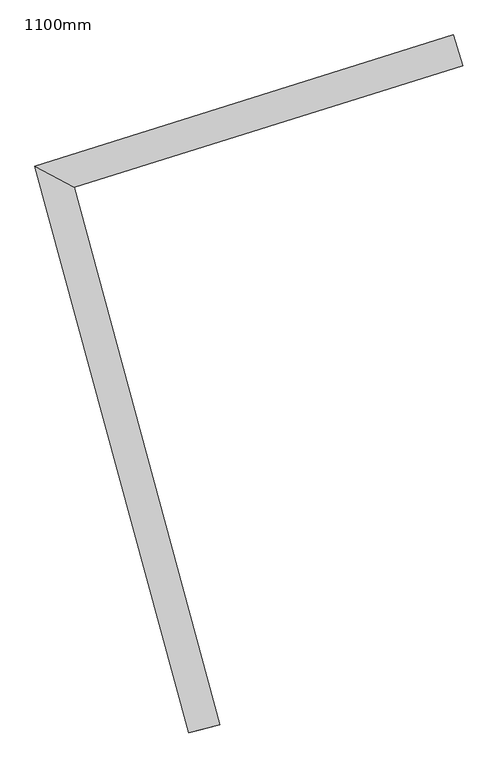
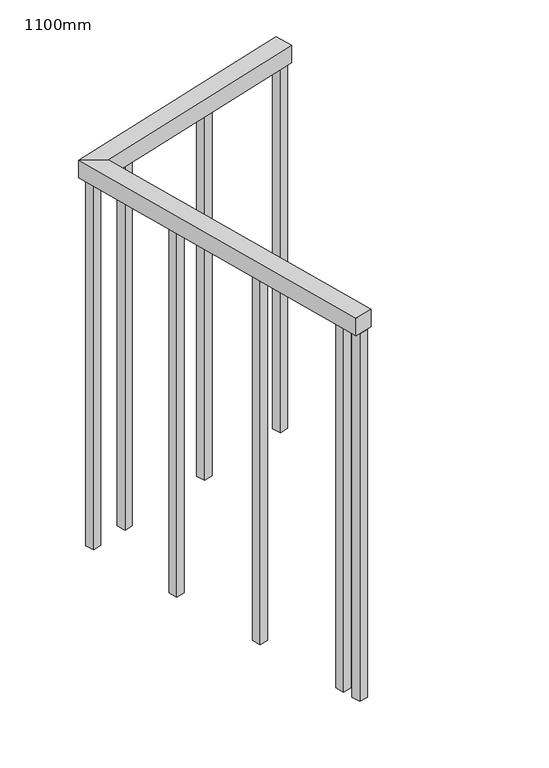
"""IFC4 building model written with IfcOpenShell, lengths in millimetres: railing geometry, 1100mm."""

from ifc_helpers import new_model, si_unit, frame, origin, place, context, project, spatial, polyline, outline, extrude, faceted_brep, source, transform, mapped, element, save


def railing_1100mm_f8fc34ff(model_context):
    return source(origin(), model_context, "Body", "SolidModel", [
        faceted_brep([(61615.2111264, 7667.8765186, 1700.0), (61615.2111264, 7667.8765186, 1650.0), (61600.2492324, 7715.5854458, 1650.0), (61600.2492324, 7715.5854458, 1700.0), (60949.0055392, 7511.3503124, 1700.0), (61009.874015, 7478.0380496, 1700.0), (60949.0055392, 7511.3503124, 1650.0), (61009.874015, 7478.0380496, 1650.0), (61237.1707039, 6641.78859, 1700.0), (61188.9212333, 6628.6741481, 1700.0), (61188.9212333, 6628.6741481, 1650.0), (61237.1707039, 6641.78859, 1650.0)], [[[0, 1, 2, 3]], [[0, 3, 4, 5]], [[3, 2, 6, 4]], [[2, 1, 7, 6]], [[1, 0, 5, 7]], [[8, 9, 10, 11]], [[5, 4, 9, 8]], [[4, 6, 10, 9]], [[6, 7, 11, 10]], [[7, 5, 8, 11]]]),
        extrude(outline(polyline([(61204.6118249, 6713.918894), (61211.1690458, 6689.7941587), (61187.0443105, 6683.2369377), (61180.4870896, 6707.361673), (61204.6118249, 6713.918894)])), frame((0.0, 0.0, 600.0), z_axis=(0.0, 0.0, 1.0), x_axis=(1.0, 0.0, 0.0)), (0.0, 0.0, 1.0), 1050.0),
        extrude(outline(polyline([(61132.4823947, 6979.2909824), (61139.0396156, 6955.1662471), (61114.9148803, 6948.6090261), (61108.3576594, 6972.7337614), (61132.4823947, 6979.2909824)])), frame((0.0, 0.0, 600.0), z_axis=(0.0, 0.0, 1.0), x_axis=(1.0, 0.0, 0.0)), (0.0, 0.0, 1.0), 1050.0),
        extrude(outline(polyline([(61060.3529645, 7244.6630708), (61066.9101854, 7220.5383354), (61042.7854501, 7213.9811145), (61036.2282292, 7238.1058498), (61060.3529645, 7244.6630708)])), frame((0.0, 0.0, 600.0), z_axis=(0.0, 0.0, 1.0), x_axis=(1.0, 0.0, 0.0)), (0.0, 0.0, 1.0), 1050.0),
        extrude(outline(polyline([(61098.5996862, 7518.9633901), (61074.7452226, 7511.4824431), (61067.2642756, 7535.3369067), (61091.1187392, 7542.8178537), (61098.5996862, 7518.9633901)])), frame((0.0, 0.0, 600.0), z_axis=(0.0, 0.0, 1.0), x_axis=(1.0, 0.0, 0.0)), (0.0, 0.0, 1.0), 1050.0),
        extrude(outline(polyline([(61360.9987854, 7601.253807), (61337.1443218, 7593.77286), (61329.6633748, 7617.6273236), (61353.5178384, 7625.1082706), (61360.9987854, 7601.253807)])), frame((0.0, 0.0, 600.0), z_axis=(0.0, 0.0, 1.0), x_axis=(1.0, 0.0, 0.0)), (0.0, 0.0, 1.0), 1050.0),
        extrude(outline(polyline([(60995.1074824, 7486.5074228), (60971.2530188, 7479.0264758), (60963.7720718, 7502.8809393), (60987.6265354, 7510.3618863), (60995.1074824, 7486.5074228)])), frame((0.0, 0.0, 600.0), z_axis=(0.0, 0.0, 1.0), x_axis=(1.0, 0.0, 0.0)), (0.0, 0.0, 1.0), 1050.0),
        extrude(outline(polyline([(61218.5511153, 6662.6347148), (61225.1083362, 6638.5099795), (61200.9836009, 6631.9527586), (61194.42638, 6656.0774939), (61218.5511153, 6662.6347148)])), frame((0.0, 0.0, 600.0), z_axis=(0.0, 0.0, 1.0), x_axis=(1.0, 0.0, 0.0)), (0.0, 0.0, 1.0), 1050.0),
        extrude(outline(polyline([(61611.4706529, 7679.8037504), (61587.6161893, 7672.3228034), (61580.1352423, 7696.177267), (61603.9897059, 7703.658214), (61611.4706529, 7679.8037504)])), frame((0.0, 0.0, 600.0), z_axis=(0.0, 0.0, 1.0), x_axis=(1.0, 0.0, 0.0)), (0.0, 0.0, 1.0), 1050.0),
    ])


if __name__ == "__main__":
    model = new_model("IFC4")
    model_context = context("Model", 3, world=origin())
    ifc_project = project(units=[si_unit("LENGTHUNIT", "METRE", prefix="MILLI")], contexts=[model_context])
    site = spatial("IfcSite", under=ifc_project)
    building = spatial("IfcBuilding", under=site)
    placement = place(None, origin())
    railing_1100mm_shape = railing_1100mm_f8fc34ff(model_context)
    element("IfcRailing", 1, ObjectType="1100mm", at=placement, inside=building, context=model_context, shape_type="MappedRepresentation", body=[
        mapped(railing_1100mm_shape, transform((0.0, 0.0, 0.0), x_axis=(1.0, 0.0, 0.0), y_axis=(0.0, 1.0, 0.0), z_axis=(0.0, 0.0, 1.0))),
    ])
    save(model, "model.ifc")
